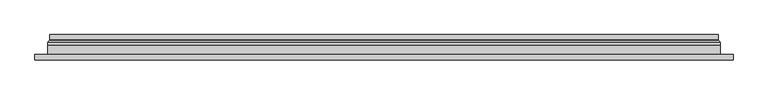
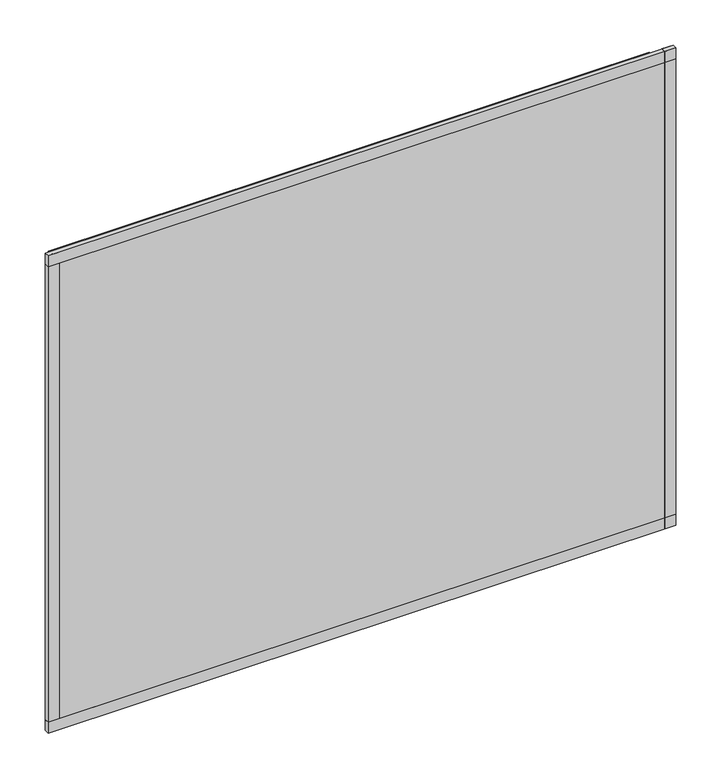
"""IFC4 building model written with IfcOpenShell, lengths in millimetres: plate geometry."""

from ifc_helpers import new_model, si_unit, frame, origin, place, context, project, spatial, polyline, ellipse_curve, outline, extrude, source, transform, mapped, element, save
from ifc_brep_helpers import plane_surface, cylinder_surface, revolved_surface, advanced_brep


def plate_e61e585b(model_context):
    return source(origin(), model_context, "Body", "SolidModel", [
        extrude(outline(polyline([(636.5, -23.0), (-636.5, -23.0), (-636.5, -13.51), (636.5, -13.51), (636.5, -23.0)])), frame((0.0, 0.0, -11.5), z_axis=(0.0, 0.0, 1.0), x_axis=(1.0, 0.0, 0.0)), (0.0, 0.0, 1.0), 23.0),
        extrude(outline(polyline([(636.5, -23.0), (-636.5, -23.0), (-636.5, -13.51), (636.5, -13.51), (636.5, -23.0)])), frame((0.0, 0.0, 988.5), z_axis=(0.0, 0.0, 1.0), x_axis=(1.0, 0.0, 0.0)), (0.0, 0.0, 1.0), 23.0),
        extrude(outline(polyline([(-636.5, -23.0), (-636.5, -13.51), (-613.5, -13.51), (-613.5, -23.0), (-636.5, -23.0)])), frame((0.0, 0.0, -11.5), z_axis=(0.0, 0.0, 1.0), x_axis=(1.0, 0.0, 0.0)), (0.0, 0.0, 1.0), 1023.0),
        extrude(outline(polyline([(636.5, -23.0), (613.5, -23.0), (613.5, -13.51), (636.5, -13.51), (636.5, -23.0)])), frame((0.0, 0.0, -11.5), z_axis=(0.0, 0.0, 1.0), x_axis=(1.0, 0.0, 0.0)), (0.0, 0.0, 1.0), 1023.0),
        extrude(outline(polyline([(11.5, -613.5), (11.5, 613.5), (988.5, 613.5), (988.5, -613.5), (11.5, -613.5)]), holes=[polyline([(33.5, 591.5), (33.5, -591.5), (966.5, -591.5), (966.5, 591.5), (33.5, 591.5)])]), frame((0.0, -17.0, 0.0), z_axis=(0.0, 1.0, 0.0), x_axis=(0.0, 0.0, 1.0)), (0.0, 0.0, 1.0), 20.0),
        extrude(outline(polyline([(33.5, -591.5), (33.5, 591.5), (966.5, 591.5), (966.5, -591.5), (33.5, -591.5)]), holes=[polyline([(38.5, 586.5), (38.5, -586.5), (961.5, -586.5), (961.5, 586.5), (38.5, 586.5)])]), frame((0.0, -17.0, 0.0), z_axis=(0.0, 1.0, 0.0), x_axis=(0.0, 0.0, 1.0)), (0.0, 0.0, 1.0), 20.0),
        extrude(outline(polyline([(613.5, 9.0), (613.5, 3.0), (-613.5, 3.0), (-613.5, 9.0), (613.5, 9.0)])), frame((0.0, 0.0, 11.5), z_axis=(0.0, 0.0, 1.0), x_axis=(1.0, 0.0, 0.0)), (0.0, 0.0, 1.0), 977.0),
        extrude(outline(polyline([(-613.5, -23.0), (-613.5, -17.0), (613.5, -17.0), (613.5, -23.0), (-613.5, -23.0)])), frame((0.0, 0.0, 11.5), z_axis=(0.0, 0.0, 1.0), x_axis=(1.0, 0.0, 0.0)), (0.0, 0.0, 1.0), 977.0),
        advanced_brep(
        [(-609.0, 23.0, 16.0), (609.0, 23.0, 16.0), (609.0, 13.9230471, 16.0), (-609.0, 13.9230471, 16.0), (-600.0, 12.9110883, 25.0), (600.0, 12.9110883, 25.0), (600.0, 23.0, 25.0), (-600.0, 23.0, 25.0), (609.0, 23.0, 984.0), (609.0, 13.9230471, 984.0), (600.0, 12.9110883, 975.0), (600.0, 23.0, 975.0), (-609.0, 23.0, 984.0), (-609.0, 13.9230471, 984.0), (-600.0, 12.9110883, 975.0), (-600.0, 23.0, 975.0), (-610.2540757, 9.0, 14.7459243), (610.2540757, 9.0, 14.7459243), (610.2540757, 9.0, 985.2540757), (-610.2540757, 9.0, 985.2540757), (599.7, 9.0, 25.3), (-599.7, 9.0, 25.3), (-599.7, 9.0, 974.7), (599.7, 9.0, 974.7), (-599.0625, 11.2166581, 25.9375), (599.0625, 11.2166581, 25.9375), (-610.5737575, 11.9689955, 14.4262425), (610.5737575, 11.9689955, 14.4262425), (599.0625, 11.2166581, 974.0625), (610.5737575, 11.9689955, 985.5737575), (-599.0625, 11.2166581, 974.0625), (-610.5737575, 11.9689955, 985.5737575)],
        [
            (0, 1),
            (1, 2),
            (2, 3),
            (3, 0),
            (4, 5),
            (5, 6),
            (6, 7),
            (7, 4),
            (1, 8),
            (8, 9),
            (9, 2),
            (5, 10),
            (10, 11),
            (11, 6),
            (8, 12),
            (12, 13),
            (13, 9),
            (10, 14),
            (14, 15),
            (15, 11),
            (16, 17),
            (17, 18),
            (18, 19),
            (19, 16),
            (20, 21),
            (21, 22),
            (22, 23),
            (23, 20),
            (12, 0),
            (3, 13),
            (15, 7),
            (14, 4),
            (24, 25),
            (25, 5, ellipse_curve(frame((598.0, 12.9110883, 27.0), z_axis=(0.7071067811865475, 0.0, 0.7071067811865475), x_axis=(0.7071067811865476, 0.0, -0.7071067811865474)), 2.8284271, 2.0)),
            (4, 24, ellipse_curve(frame((-598.0, 12.9110883, 27.0), z_axis=(-0.7071067811865475, 0.0, 0.7071067811865475), x_axis=(0.7071067811865476, 0.0, 0.7071067811865474)), 2.8284271, 2.0)),
            (20, 25, ellipse_curve(frame((599.7, 10.2, 25.3), z_axis=(-0.7071067811865475, 0.0, -0.7071067811865475), x_axis=(-0.7071067811865476, 0.0, 0.7071067811865474)), 1.6970563, 1.2)),
            (24, 21, ellipse_curve(frame((-599.7, 10.2, 25.3), z_axis=(0.7071067811865475, 0.0, -0.7071067811865475), x_axis=(-0.7071067811865476, 0.0, -0.7071067811865474)), 1.6970563, 1.2)),
            (26, 27),
            (27, 17, ellipse_curve(frame((610.2540757, 10.5034569, 14.7459243), z_axis=(-0.7071067811865475, 0.0, -0.7071067811865475), x_axis=(-0.7071067811865476, 0.0, 0.7071067811865474)), 2.1213203, 1.5)),
            (16, 26, ellipse_curve(frame((-610.2540757, 10.5034569, 14.7459243), z_axis=(0.7071067811865475, 0.0, -0.7071067811865475), x_axis=(-0.7071067811865476, 0.0, -0.7071067811865474)), 2.1213203, 1.5)),
            (25, 28),
            (28, 10, ellipse_curve(frame((598.0, 12.9110883, 973.0), z_axis=(-0.7071067811865475, 0.0, 0.7071067811865475), x_axis=(0.7071067811865474, 0.0, 0.7071067811865476)), 2.8284271, 2.0)),
            (23, 28, ellipse_curve(frame((599.7, 10.2, 974.7), z_axis=(0.7071067811865475, 0.0, -0.7071067811865475), x_axis=(-0.7071067811865474, 0.0, -0.7071067811865476)), 1.6970563, 1.2)),
            (27, 29),
            (29, 18, ellipse_curve(frame((610.2540757, 10.5034569, 985.2540757), z_axis=(0.7071067811865475, 0.0, -0.7071067811865475), x_axis=(-0.7071067811865474, 0.0, -0.7071067811865476)), 2.1213203, 1.5)),
            (28, 30),
            (30, 14, ellipse_curve(frame((-598.0, 12.9110883, 973.0), z_axis=(-0.7071067811865475, 0.0, -0.7071067811865475), x_axis=(-0.7071067811865476, 0.0, 0.7071067811865474)), 2.8284271, 2.0)),
            (22, 30, ellipse_curve(frame((-599.7, 10.2, 974.7), z_axis=(0.7071067811865475, 0.0, 0.7071067811865475), x_axis=(0.7071067811865476, 0.0, -0.7071067811865474)), 1.6970563, 1.2)),
            (29, 31),
            (31, 19, ellipse_curve(frame((-610.2540757, 10.5034569, 985.2540757), z_axis=(0.7071067811865475, 0.0, 0.7071067811865475), x_axis=(0.7071067811865476, 0.0, -0.7071067811865474)), 2.1213203, 1.5)),
            (30, 24),
            (31, 26),
            (2, 27, ellipse_curve(frame((611.0, 13.9230471, 14.0), z_axis=(0.7071067811865475, 0.0, 0.7071067811865475), x_axis=(0.7071067811865476, 0.0, -0.7071067811865474)), 2.8284271, 2.0)),
            (26, 3, ellipse_curve(frame((-611.0, 13.9230471, 14.0), z_axis=(-0.7071067811865475, 0.0, 0.7071067811865475), x_axis=(0.7071067811865476, 0.0, 0.7071067811865474)), 2.8284271, 2.0)),
            (9, 29, ellipse_curve(frame((611.0, 13.9230471, 986.0), z_axis=(-0.7071067811865475, 0.0, 0.7071067811865475), x_axis=(0.7071067811865474, 0.0, 0.7071067811865476)), 2.8284271, 2.0)),
            (13, 31, ellipse_curve(frame((-611.0, 13.9230471, 986.0), z_axis=(-0.7071067811865475, 0.0, -0.7071067811865475), x_axis=(-0.7071067811865476, 0.0, 0.7071067811865474)), 2.8284271, 2.0)),
        ],
        [
            plane_surface(frame((-609.0, 13.9230471, 16.0), z_axis=(0.0, 0.0, -1.0), x_axis=(1.0, 0.0, 0.0))),
            plane_surface(frame((-600.0, 23.0, 25.0), z_axis=(0.0, 0.0, 1.0), x_axis=(1.0, 0.0, 0.0))),
            plane_surface(frame((609.0, 13.9230471, 16.0), z_axis=(1.0, 0.0, 0.0), x_axis=(0.0, 0.0, 1.0))),
            plane_surface(frame((600.0, 23.0, 25.0), z_axis=(-1.0, 0.0, 0.0), x_axis=(0.0, 0.0, 1.0))),
            plane_surface(frame((609.0, 13.9230471, 984.0), z_axis=(0.0, 0.0, 1.0), x_axis=(-1.0, 0.0, 0.0))),
            plane_surface(frame((600.0, 23.0, 975.0), z_axis=(0.0, 0.0, -1.0), x_axis=(-1.0, 0.0, 0.0))),
            plane_surface(frame((-599.7, 9.0, 974.7), z_axis=(0.0, -1.0, 0.0), x_axis=(0.0, 0.0, -1.0))),
            plane_surface(frame((-609.0, 13.9230471, 984.0), z_axis=(-1.0, 0.0, 0.0), x_axis=(0.0, 0.0, -1.0))),
            plane_surface(frame((-609.0, 23.0, 984.0), z_axis=(0.0, 1.0, 0.0), x_axis=(0.0, 0.0, -1.0))),
            plane_surface(frame((-600.0, 23.0, 975.0), z_axis=(1.0, 0.0, 0.0), x_axis=(0.0, 0.0, -1.0))),
            revolved_surface(polyline([(600.0, 10.9110883, 27.0), (-600.0, 10.9110883, 27.0)]), (-613.5, 12.9110883, 27.0), (1.0, 0.0, 0.0)),
            cylinder_surface(frame((-613.5, 10.2, 25.3), z_axis=(-1.0, 0.0, 0.0), x_axis=(0.0, -1.0, 0.0)), 1.2),
            cylinder_surface(frame((-613.5, 10.5034569, 14.7459243), z_axis=(-1.0, 0.0, 0.0), x_axis=(0.0, -1.0, 0.0)), 1.5),
            revolved_surface(polyline([(598.0, 10.9110883, 975.0), (598.0, 10.9110883, 25.0)]), (598.0, 12.9110883, 11.5), (0.0, 0.0, 1.0)),
            cylinder_surface(frame((599.7, 10.2, 11.5), z_axis=(0.0, 0.0, -1.0), x_axis=(0.0, -1.0, 0.0)), 1.2),
            cylinder_surface(frame((610.2540757, 10.5034569, 11.5), z_axis=(0.0, 0.0, -1.0), x_axis=(0.0, -1.0, 0.0)), 1.5),
            revolved_surface(polyline([(-600.0, 10.9110883, 973.0), (600.0, 10.9110883, 973.0)]), (613.5, 12.9110883, 973.0), (-1.0, 0.0, 0.0)),
            cylinder_surface(frame((613.5, 10.2, 974.7), z_axis=(1.0, 0.0, 0.0), x_axis=(0.0, -1.0, 0.0)), 1.2),
            cylinder_surface(frame((613.5, 10.5034569, 985.2540757), z_axis=(1.0, 0.0, 0.0), x_axis=(0.0, -1.0, 0.0)), 1.5),
            revolved_surface(polyline([(-598.0, 10.9110883, 25.0), (-598.0, 10.9110883, 975.0)]), (-598.0, 12.9110883, 988.5), (0.0, 0.0, -1.0)),
            cylinder_surface(frame((-599.7, 10.2, 988.5), z_axis=(0.0, 0.0, 1.0), x_axis=(0.0, -1.0, 0.0)), 1.2),
            cylinder_surface(frame((-610.2540757, 10.5034569, 988.5), z_axis=(0.0, 0.0, 1.0), x_axis=(0.0, -1.0, 0.0)), 1.5),
            revolved_surface(polyline([(612.9999999825018, 11.9230471, 14.0), (-612.9999999825018, 11.9230471, 14.0)]), (-613.5, 13.9230471, 14.0), (1.0, 0.0, 0.0)),
            revolved_surface(polyline([(611.0, 11.9230471, 987.9999999825018), (611.0, 11.9230471, 12.000000017498198)]), (611.0, 13.9230471, 11.5), (0.0, 0.0, 1.0)),
            revolved_surface(polyline([(-612.9999999825018, 11.9230471, 986.0), (612.9999999825018, 11.9230471, 986.0)]), (613.5, 13.9230471, 986.0), (-1.0, 0.0, 0.0)),
            revolved_surface(polyline([(-611.0, 11.9230471, 12.000000017498223), (-611.0, 11.9230471, 987.9999999825018)]), (-611.0, 13.9230471, 988.5), (0.0, 0.0, -1.0)),
        ],
        [
            (0, [[1, 2, 3, 4]]),
            (1, [[5, 6, 7, 8]]),
            (2, [[9, 10, 11, -2]]),
            (3, [[12, 13, 14, -6]]),
            (4, [[15, 16, 17, -10]]),
            (5, [[18, 19, 20, -13]]),
            (6, [[21, 22, 23, 24], [25, 26, 27, 28]]),
            (7, [[29, -4, 30, -16]]),
            (8, [[-1, -29, -15, -9], [-7, -14, -20, 31]]),
            (9, [[32, -8, -31, -19]]),
            (10, [[33, 34, -5, 35]]),
            (11, [[-25, 36, -33, 37]]),
            (12, [[38, 39, -21, 40]]),
            (13, [[41, 42, -12, -34]]),
            (14, [[-28, 43, -41, -36]]),
            (15, [[44, 45, -22, -39]]),
            (16, [[46, 47, -18, -42]]),
            (17, [[-27, 48, -46, -43]]),
            (18, [[49, 50, -23, -45]]),
            (19, [[51, -35, -32, -47]]),
            (20, [[-26, -37, -51, -48]]),
            (21, [[52, -40, -24, -50]]),
            (22, [[-3, 53, -38, 54]]),
            (23, [[-11, 55, -44, -53]]),
            (24, [[-17, 56, -49, -55]]),
            (25, [[-30, -54, -52, -56]]),
        ],
    ),
    ])


if __name__ == "__main__":
    model = new_model("IFC4")
    model_context = context("Model", 3, world=origin())
    ifc_project = project(units=[si_unit("LENGTHUNIT", "METRE", prefix="MILLI")], contexts=[model_context])
    site = spatial("IfcSite", under=ifc_project)
    building = spatial("IfcBuilding", under=site)
    placement = place(None, origin())
    plate_shape = plate_e61e585b(model_context)
    element("IfcPlate", 1, at=placement, inside=building, context=model_context, shape_type="MappedRepresentation", body=[
        mapped(plate_shape, transform((0.0, 0.0, 0.0), x_axis=(1.0, 0.0, 0.0), y_axis=(0.0, 1.0, 0.0), z_axis=(0.0, 0.0, 1.0))),
    ])
    save(model, "model.ifc")
